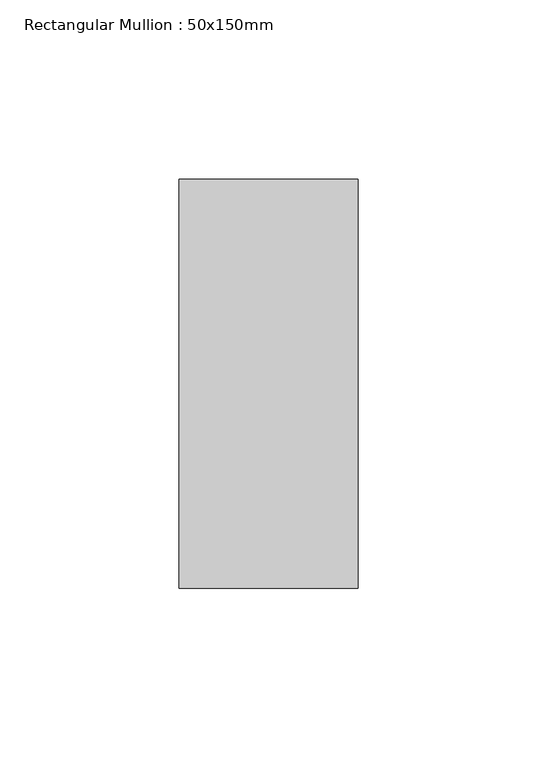
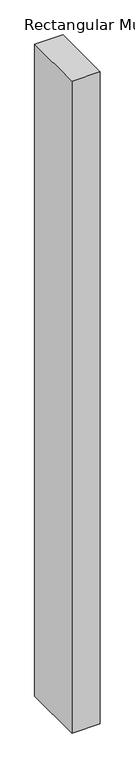
"""IFC4 building model written with IfcOpenShell, lengths in millimetres: member geometry, Rectangular Mullion : 50x150mm."""

from ifc_helpers import new_model, si_unit, frame, origin, place, context, project, spatial, polyline, outline, extrude, source, transform, mapped, element, save


def rectangular_mullion_50x150mm_d8183fd3(model_context):
    return source(origin(), model_context, "Body", "SweptSolid", [
        extrude(outline(polyline([(0.0, 57.15), (0.0, -57.15), (-50.0, -57.15), (-50.0, 57.15), (0.0, 57.15)])), frame((0.0, 0.0, -1220.0000003), z_axis=(0.0, 0.0, 1.0), x_axis=(1.0, 0.0, 0.0)), (0.0, 0.0, 1.0), 1220.0000003),
    ])


if __name__ == "__main__":
    model = new_model("IFC4")
    model_context = context("Model", 3, world=origin())
    ifc_project = project(units=[si_unit("LENGTHUNIT", "METRE", prefix="MILLI")], contexts=[model_context])
    site = spatial("IfcSite", under=ifc_project)
    building = spatial("IfcBuilding", under=site)
    placement = place(None, origin())
    rectangular_mullion_50x150mm_shape = rectangular_mullion_50x150mm_d8183fd3(model_context)
    element("IfcMember", 1, ObjectType="Rectangular Mullion : 50x150mm", at=placement, inside=building, context=model_context, shape_type="MappedRepresentation", body=[
        mapped(rectangular_mullion_50x150mm_shape, transform((0.0, 0.0, 0.0), x_axis=(1.0, 0.0, 0.0), y_axis=(0.0, 1.0, 0.0), z_axis=(0.0, 0.0, 1.0))),
    ])
    save(model, "model.ifc")
